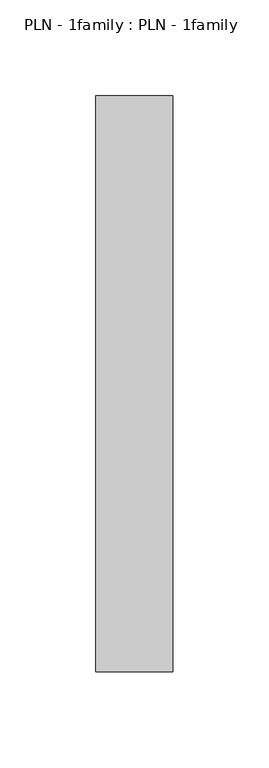
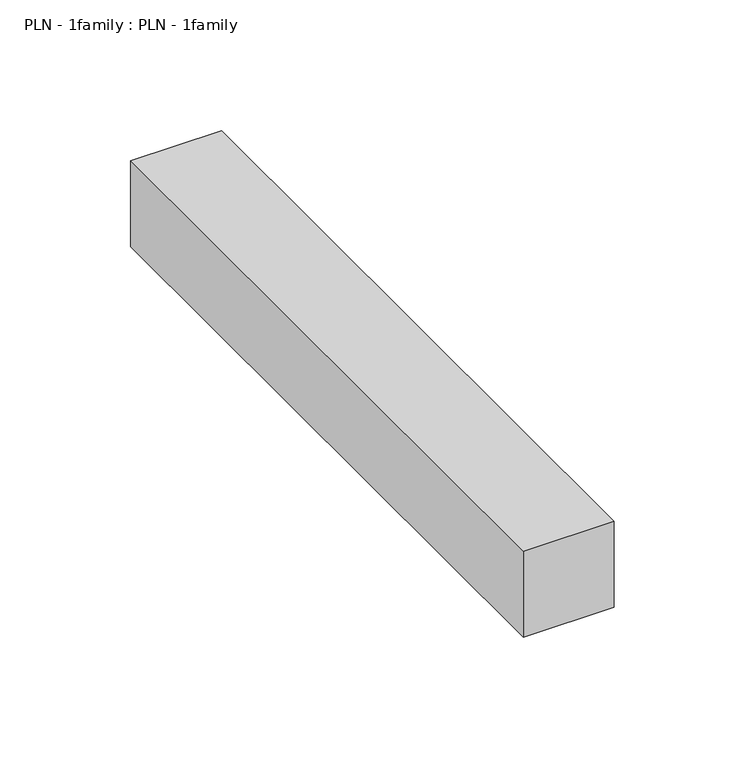
"""IFC4 building model written with IfcOpenShell, lengths in millimetres: proxy geometry, PLN - 1family : PLN - 1family."""

from ifc_helpers import new_model, si_unit, frame, origin, place, context, project, spatial, polyline, outline, extrude, source, transform, mapped, element, save


def pln_1family_pln_1family_4d3149bf(model_context):
    return source(origin(), model_context, "Body", "SweptSolid", [
        extrude(outline(polyline([(0.0, -300.0), (0.0, 0.0), (40.0, 0.0), (40.0, -300.0), (0.0, -300.0)])), frame((0.0, 0.0, 250.0), z_axis=(0.0, 0.0, 1.0), x_axis=(1.0, 0.0, 0.0)), (0.0, 0.0, 1.0), 40.0),
    ])


if __name__ == "__main__":
    model = new_model("IFC4")
    model_context = context("Model", 3, world=origin())
    ifc_project = project(units=[si_unit("LENGTHUNIT", "METRE", prefix="MILLI")], contexts=[model_context])
    site = spatial("IfcSite", under=ifc_project)
    building = spatial("IfcBuilding", under=site)
    placement = place(None, origin())
    pln_1family_pln_1family_shape = pln_1family_pln_1family_4d3149bf(model_context)
    element("IfcBuildingElementProxy", 1, Name="PLN - 1family : PLN - 1family", ObjectType="PLN - 1family : PLN - 1family", at=placement, inside=building, context=model_context, shape_type="MappedRepresentation", body=[
        mapped(pln_1family_pln_1family_shape, transform((0.0, 0.0, 0.0), x_axis=(1.0, 0.0, 0.0), y_axis=(0.0, 1.0, 0.0), z_axis=(0.0, 0.0, 1.0))),
    ])
    save(model, "model.ifc")
